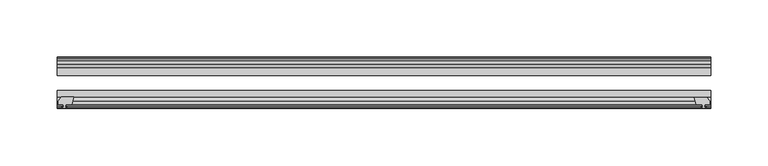
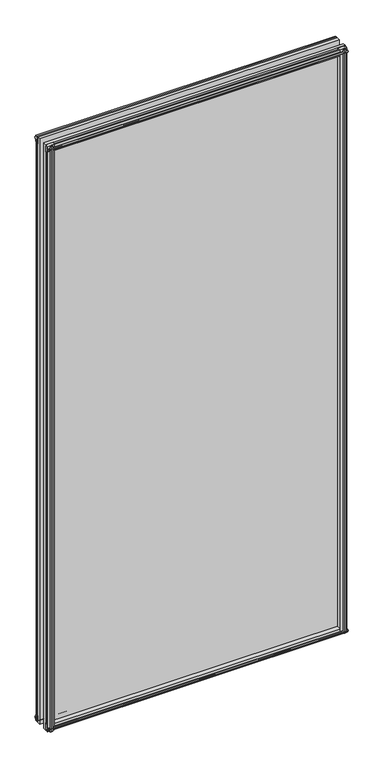
"""IFC4 building model written with IfcOpenShell, lengths in millimetres: plate geometry."""

from ifc_helpers import new_model, si_unit, frame, origin, place, context, project, spatial, polyline, outline, extrude, source, transform, mapped, element, save


def plate_51d78353(model_context):
    return source(origin(), model_context, "Body", "SweptSolid", [
        extrude(outline(polyline([(-271.3322819, -83.1453125), (-273.05, -89.4953125), (-278.257, -89.4953125), (-278.638, -91.8755095), (-277.2224709, -91.4155762), (-277.2224709, -92.2167904), (-279.4, -92.9243125), (-281.577529, -92.2167904), (-281.577529, -91.4155762), (-280.162, -91.8755095), (-280.543, -89.4953125), (-284.988, -89.4953125), (-284.988, -86.5489125), (-282.1536578, -83.1453125), (-271.3322819, -83.1453125)])), frame((0.0, 0.0, -12.4587), z_axis=(0.0, 0.0, 1.0), x_axis=(1.0, 0.0, 0.0)), (0.0, 0.0, 1.0), 1180.6174021),
        extrude(outline(polyline([(271.3538926, -83.2252021), (282.1752685, -83.2252021), (285.0096107, -86.6288021), (285.0096107, -89.5752021), (280.5646107, -89.5752021), (280.1836107, -91.9553991), (281.5991397, -91.4954658), (281.5991397, -92.29668), (279.4216107, -93.0042021), (277.2440816, -92.29668), (277.2440816, -91.4954658), (278.6596107, -91.9553991), (278.2786107, -89.5752021), (273.0716107, -89.5752021), (271.3538926, -83.2252021)])), frame((0.0, 0.0, -9.0482291), z_axis=(0.0, 0.0, 1.0), x_axis=(1.0, 0.0, 0.0)), (0.0, 0.0, 1.0), 1177.2069311),
        extrude(outline(polyline([(-280.6827, -49.0151155), (-282.098229, -49.4750488), (-282.098229, -48.6738346), (-279.9207, -47.9663125), (-277.7431709, -48.6738346), (-277.7431709, -49.4750488), (-279.1587, -49.0151155), (-278.7777, -51.3953125), (-273.5707, -51.3953125), (-271.8529819, -57.7453125), (-282.6743578, -57.7453125), (-285.5087, -54.3417125), (-285.5087, -51.3953125), (-281.0637, -51.3953125), (-280.6827, -49.0151155)])), frame((0.0, 0.0, -12.4587), z_axis=(0.0, 0.0, 1.0), x_axis=(1.0, 0.0, 0.0)), (0.0, 0.0, 1.0), 1174.2674021),
        extrude(outline(polyline([(271.8529819, -57.7453125), (273.5707, -51.3953125), (278.7777, -51.3953125), (279.1587, -49.0151155), (277.7431709, -49.4750488), (277.7431709, -48.6738346), (279.9207, -47.9663125), (282.098229, -48.6738346), (282.098229, -49.4750488), (280.6827, -49.0151155), (281.0637, -51.3953125), (285.5087, -51.3953125), (285.5087, -54.3417125), (282.6743578, -57.7453125), (271.8529819, -57.7453125)])), frame((0.0, 0.0, -12.4587), z_axis=(0.0, 0.0, 1.0), x_axis=(1.0, 0.0, 0.0)), (0.0, 0.0, 1.0), 1174.2674021),
        extrude(outline(polyline([(-48.6738346, -4.6931709), (-47.9663125, -6.8707), (-48.6738346, -9.0482291), (-49.4750488, -9.0482291), (-49.0151155, -7.6327), (-51.3953125, -8.0137), (-51.3953125, -12.4587), (-54.3417125, -12.4587), (-57.7453125, -9.6243578), (-57.7453125, 1.1970181), (-51.3953125, -0.5207), (-51.3953125, -5.7277), (-49.0151155, -6.1087), (-49.4750488, -4.6931709), (-48.6738346, -4.6931709)])), frame((-285.75, 0.0, 0.0), z_axis=(1.0, 0.0, 0.0), x_axis=(0.0, 1.0, 0.0)), (0.0, 0.0, 1.0), 571.5),
        extrude(outline(polyline([(-83.1453125, 1.7177181), (-83.1453125, -9.1036578), (-86.5489125, -11.938), (-89.4953125, -11.938), (-89.4953125, -7.493), (-91.8755095, -7.112), (-91.4155762, -8.5275291), (-92.2167904, -8.5275291), (-92.9243125, -6.35), (-92.2167904, -4.1724709), (-91.4155762, -4.1724709), (-91.8755095, -5.588), (-89.4953125, -5.207), (-89.4953125, 0.0), (-83.1453125, 1.7177181)])), frame((-285.75, 0.0, 0.0), z_axis=(1.0, 0.0, 0.0), x_axis=(0.0, 1.0, 0.0)), (0.0, 0.0, 1.0), 571.5),
        extrude(outline(polyline([(-49.0151155, 1163.3327021), (-49.4750488, 1164.7482311), (-48.6738346, 1164.7482311), (-47.9663125, 1162.5707021), (-48.6738346, 1160.393173), (-49.4750488, 1160.393173), (-49.0151155, 1161.8087021), (-51.3953125, 1161.4277021), (-51.3953125, 1156.2207021), (-57.7453125, 1154.502984), (-57.7453125, 1165.3243599), (-54.3417125, 1168.1587021), (-51.3953125, 1168.1587021), (-51.3953125, 1163.7137021), (-49.0151155, 1163.3327021)])), frame((-285.75, 0.0, 0.0), z_axis=(1.0, 0.0, 0.0), x_axis=(0.0, 1.0, 0.0)), (0.0, 0.0, 1.0), 571.5),
        extrude(outline(polyline([(-89.4953125, 1167.6380021), (-86.5489125, 1167.6380021), (-83.1453125, 1164.8036599), (-83.1453125, 1153.982284), (-89.4953125, 1155.7000021), (-89.4953125, 1160.9070021), (-91.8755095, 1161.2880021), (-91.4155762, 1159.872473), (-92.2167904, 1159.872473), (-92.9243125, 1162.0500021), (-92.2167904, 1164.2275311), (-91.4155762, 1164.2275311), (-91.8755095, 1162.8120021), (-89.4953125, 1163.1930021), (-89.4953125, 1167.6380021)])), frame((-285.75, 0.0, 0.0), z_axis=(1.0, 0.0, 0.0), x_axis=(0.0, 1.0, 0.0)), (0.0, 0.0, 1.0), 571.5),
        extrude(outline(polyline([(-285.75, -57.7453125), (285.75, -57.7453125), (285.75, -64.0953125), (-285.75, -64.0953125), (-285.75, -57.7453125)])), frame((0.0, 0.0, -12.7), z_axis=(0.0, 0.0, 1.0), x_axis=(1.0, 0.0, 0.0)), (0.0, 0.0, 1.0), 1181.1000021),
        extrude(outline(polyline([(-285.75, -77.1178925), (285.75, -77.1178925), (285.75, -83.1453125), (-285.75, -83.1453125), (-285.75, -77.1178925)])), frame((0.0, 0.0, -12.7), z_axis=(0.0, 0.0, 1.0), x_axis=(1.0, 0.0, 0.0)), (0.0, 0.0, 1.0), 1181.1000021),
    ])


if __name__ == "__main__":
    model = new_model("IFC4")
    model_context = context("Model", 3, world=origin())
    ifc_project = project(units=[si_unit("LENGTHUNIT", "METRE", prefix="MILLI")], contexts=[model_context])
    site = spatial("IfcSite", under=ifc_project)
    building = spatial("IfcBuilding", under=site)
    placement = place(None, origin())
    plate_shape = plate_51d78353(model_context)
    element("IfcPlate", 1, at=placement, inside=building, context=model_context, shape_type="MappedRepresentation", body=[
        mapped(plate_shape, transform((0.0, 0.0, 0.0), x_axis=(1.0, 0.0, 0.0), y_axis=(0.0, 1.0, 0.0), z_axis=(0.0, 0.0, 1.0))),
    ])
    save(model, "model.ifc")
